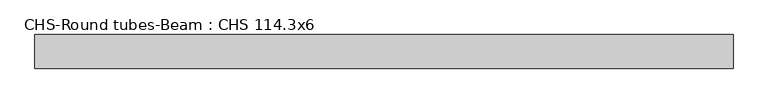
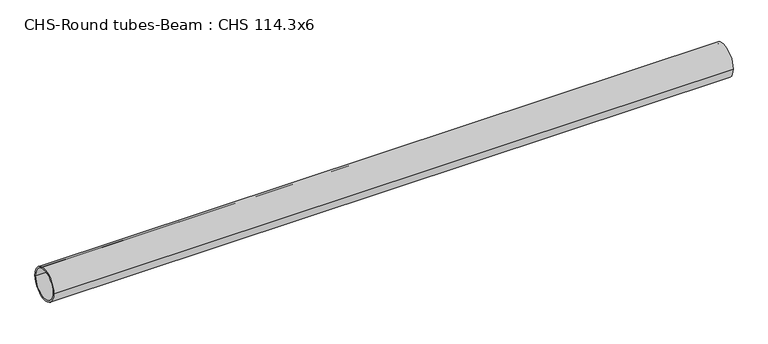
"""IFC4 building model written with IfcOpenShell, lengths in millimetres: beam geometry, CHS-Round tubes-Beam : CHS 114.3x6."""

from ifc_helpers import new_model, si_unit, point, frame, origin, origin_2d, place, context, project, spatial, circle_curve, trimmed, segment, composite_curve, outline, extrude, source, transform, mapped, element, save


def chs_round_tubes_beam_chs_114_3x6_96f1adb9(model_context):
    return source(origin(), model_context, "Body", "SweptSolid", [
        extrude(outline(composite_curve([segment(trimmed(circle_curve(origin_2d(), 57.15), [point((57.15, 0.0))], [point((-57.15, 0.0))], False, "CARTESIAN"), True, "CONTINUOUS"), segment(trimmed(circle_curve(origin_2d(), 57.15), [point((-57.15, 0.0))], [point((57.15, 0.0))], False, "CARTESIAN"), True, "CONTINUOUS")], self_intersect=False), holes=[composite_curve([segment(trimmed(circle_curve(origin_2d(), 51.15), [point((51.15, 0.0))], [point((-51.15, 0.0))], True, "CARTESIAN"), True, "CONTINUOUS"), segment(trimmed(circle_curve(origin_2d(), 51.15), [point((-51.15, 0.0))], [point((51.15, 0.0))], True, "CARTESIAN"), True, "CONTINUOUS")], self_intersect=False)]), frame((-1134.2928437, 0.0, 0.0), z_axis=(1.0, 0.0, 0.0), x_axis=(0.0, 1.0, 0.0)), (0.0, 0.0, 1.0), 2375.4698482),
    ])


if __name__ == "__main__":
    model = new_model("IFC4")
    model_context = context("Model", 3, world=origin())
    ifc_project = project(units=[si_unit("LENGTHUNIT", "METRE", prefix="MILLI")], contexts=[model_context])
    site = spatial("IfcSite", under=ifc_project)
    building = spatial("IfcBuilding", under=site)
    placement = place(None, origin())
    chs_round_tubes_beam_chs_114_3x6_shape = chs_round_tubes_beam_chs_114_3x6_96f1adb9(model_context)
    element("IfcBeam", 1, ObjectType="CHS-Round tubes-Beam : CHS 114.3x6", at=placement, inside=building, context=model_context, shape_type="MappedRepresentation", body=[
        mapped(chs_round_tubes_beam_chs_114_3x6_shape, transform((0.0, 0.0, 0.0), x_axis=(1.0, 0.0, 0.0), y_axis=(0.0, 1.0, 0.0), z_axis=(0.0, 0.0, 1.0))),
    ])
    save(model, "model.ifc")
